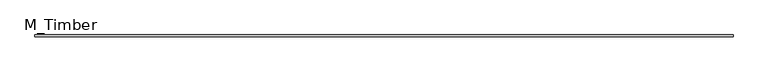
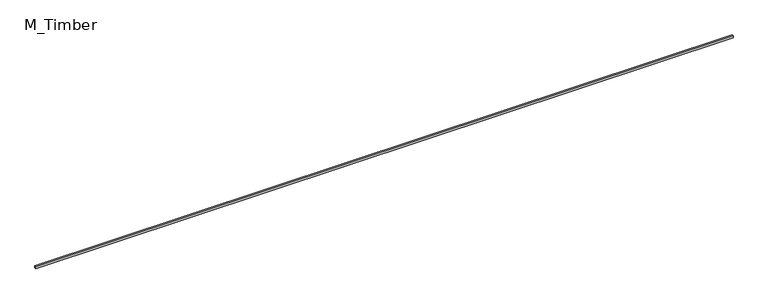
"""IFC4 building model written with IfcOpenShell, lengths in millimetres: beam geometry, M_Timber."""

from ifc_helpers import new_model, si_unit, frame, origin, place, context, project, spatial, polyline, outline, extrude, source, transform, mapped, element, save


def m_timber_5ba183d4(model_context):
    return source(origin(), model_context, "Body", "SweptSolid", [
        extrude(outline(polyline([(7486.1203029, 20.0), (7486.1203029, -20.0), (-7380.39109, -20.0), (-7380.39109, 20.0), (7486.1203029, 20.0)])), frame((0.0, 0.0, -20.0), z_axis=(0.0, 0.0, 1.0), x_axis=(1.0, 0.0, 0.0)), (0.0, 0.0, 1.0), 40.0),
    ])


if __name__ == "__main__":
    model = new_model("IFC4")
    model_context = context("Model", 3, world=origin())
    ifc_project = project(units=[si_unit("LENGTHUNIT", "METRE", prefix="MILLI")], contexts=[model_context])
    site = spatial("IfcSite", under=ifc_project)
    building = spatial("IfcBuilding", under=site)
    placement = place(None, origin())
    m_timber_shape = m_timber_5ba183d4(model_context)
    element("IfcBeam", 1, ObjectType="M_Timber", at=placement, inside=building, context=model_context, shape_type="MappedRepresentation", body=[
        mapped(m_timber_shape, transform((0.0, 0.0, 0.0), x_axis=(1.0, 0.0, 0.0), y_axis=(0.0, 1.0, 0.0), z_axis=(0.0, 0.0, 1.0))),
    ])
    save(model, "model.ifc")
